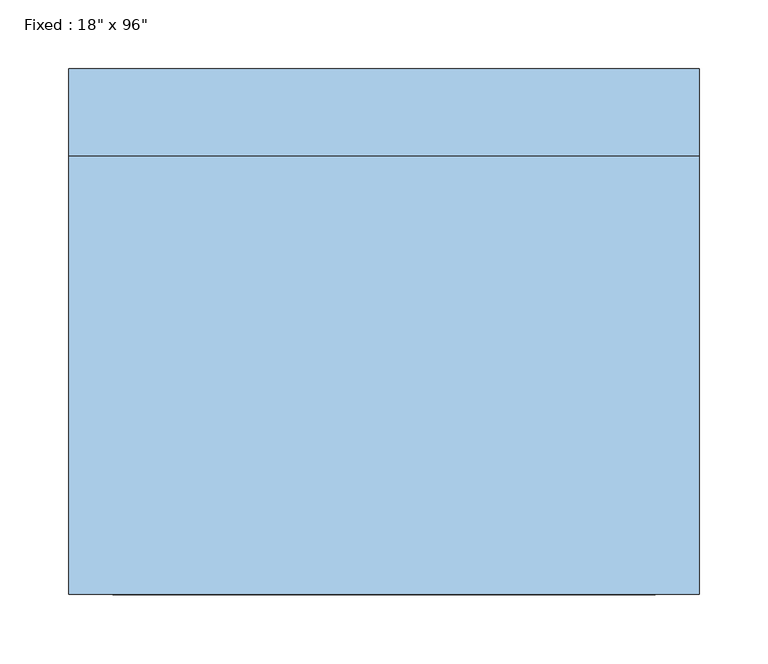
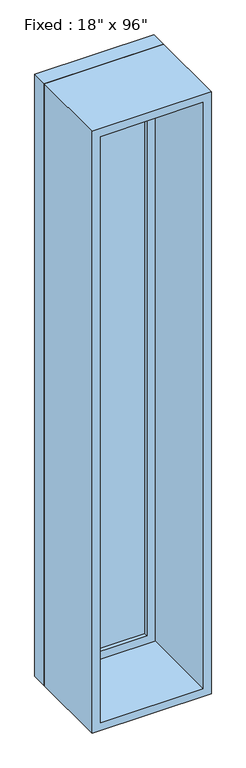
"""IFC4 building model written with IfcOpenShell, lengths in millimetres: window geometry."""

from ifc_helpers import new_model, si_unit, frame, origin, place, context, project, spatial, polyline, outline, extrude, source, transform, mapped, element, save


def window_e6bac184(model_context):
    return source(origin(), model_context, "Body", "SweptSolid", [
        extrude(outline(polyline([(127.0, 142.875), (-203.2, 142.875), (-203.2, 155.575), (127.0, 155.575), (127.0, 142.875)])), frame((0.0, 0.0, 368.3), z_axis=(0.0, 0.0, 1.0), x_axis=(1.0, 0.0, 0.0)), (0.0, 0.0, 1.0), 2311.4),
        extrude(outline(polyline([(2724.15, -247.65), (323.85, -247.65), (323.85, 171.45), (2724.15, 171.45), (2724.15, -247.65)]), holes=[polyline([(2679.7, -203.2), (2679.7, 127.0), (368.3, 127.0), (368.3, -203.2), (2679.7, -203.2)])]), frame((0.0, 127.0, 0.0), z_axis=(0.0, 1.0, 0.0), x_axis=(0.0, 0.0, 1.0)), (0.0, 0.0, 1.0), 44.45),
        extrude(outline(polyline([(2743.2, -266.7), (304.8, -266.7), (304.8, 190.5), (2743.2, 190.5), (2743.2, -266.7)]), holes=[polyline([(2711.45, -234.95), (2711.45, 158.75), (336.55, 158.75), (336.55, -234.95), (2711.45, -234.95)])]), frame((0.0, -190.5, 0.0), z_axis=(0.0, 1.0, 0.0), x_axis=(0.0, 0.0, 1.0)), (0.0, 0.0, 1.0), 317.5),
        extrude(outline(polyline([(2743.2, 190.5), (2743.2, -266.7), (304.8, -266.7), (304.8, 190.5), (2743.2, 190.5)]), holes=[polyline([(2724.15, 171.45), (323.85, 171.45), (323.85, -247.65), (2724.15, -247.65), (2724.15, 171.45)])]), frame((0.0, 127.0, 0.0), z_axis=(0.0, 1.0, 0.0), x_axis=(0.0, 0.0, 1.0)), (0.0, 0.0, 1.0), 63.5),
    ])


if __name__ == "__main__":
    model = new_model("IFC4")
    model_context = context("Model", 3, world=origin())
    ifc_project = project(units=[si_unit("LENGTHUNIT", "METRE", prefix="MILLI")], contexts=[model_context])
    site = spatial("IfcSite", under=ifc_project)
    building = spatial("IfcBuilding", under=site)
    placement = place(None, origin())
    window_shape = window_e6bac184(model_context)
    element("IfcWindow", 1, ObjectType="Fixed : 18\" x 96\"", at=placement, inside=building, context=model_context, shape_type="MappedRepresentation", body=[
        mapped(window_shape, transform((0.0, 0.0, 0.0), x_axis=(1.0, 0.0, 0.0), y_axis=(0.0, 1.0, 0.0), z_axis=(0.0, 0.0, 1.0))),
    ])
    save(model, "model.ifc")
